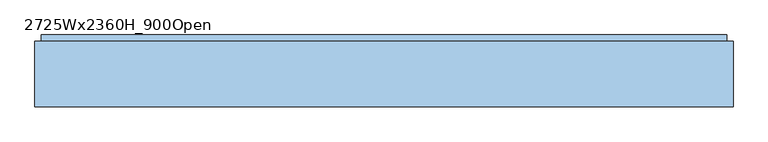
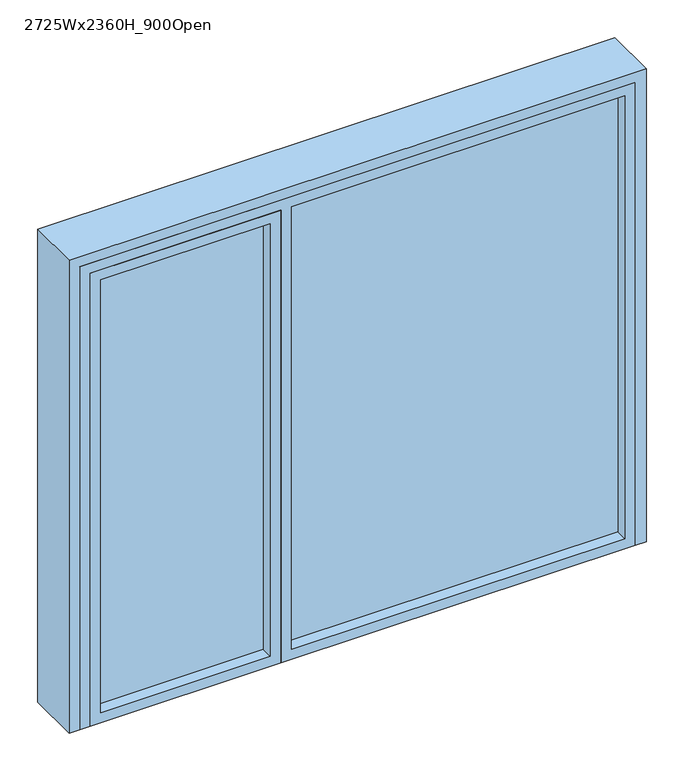
"""IFC4 building model written with IfcOpenShell, lengths in millimetres: window geometry, 2725Wx2360H_900Open."""

from ifc_helpers import new_model, si_unit, frame, origin, origin_with_axes, place, context, project, spatial, polyline, outline, extrude, faceted_brep, source, transform, mapped, element, save


def window_2725wx2360h_900open_1d31c78e(model_context):
    return source(origin(), model_context, "Body", "SolidModel", [
        extrude(outline(polyline([(1262.5, 67.0), (1262.5, 49.0), (-312.5, 49.0), (-312.5, 67.0), (1262.5, 67.0)])), frame((0.0, 0.0, 50.0), z_axis=(0.0, 0.0, 1.0), x_axis=(1.0, 0.0, 0.0)), (0.0, 0.0, 1.0), 2210.0),
        extrude(outline(polyline([(-412.5, 67.0), (-412.5, 49.0), (-1212.5, 49.0), (-1212.5, 67.0), (-412.5, 67.0)])), frame((0.0, 0.0, 50.0), z_axis=(0.0, 0.0, 1.0), x_axis=(1.0, 0.0, 0.0)), (0.0, 0.0, 1.0), 2160.0),
        extrude(outline(polyline([(2260.0, -362.5), (2260.0, -1262.5), (0.0, -1262.5), (0.0, -362.5), (2260.0, -362.5)]), holes=[polyline([(2210.0, -412.5), (50.0, -412.5), (50.0, -1212.5), (2210.0, -1212.5), (2210.0, -412.5)])]), frame((0.0, -8.0, 0.0), z_axis=(0.0, 1.0, 0.0), x_axis=(0.0, 0.0, 1.0)), (0.0, 0.0, 1.0), 100.0),
        extrude(outline(polyline([(1312.5, 92.0), (-1312.5, 92.0), (-1312.5, 272.0), (1312.5, 272.0), (1312.5, 92.0)])), origin_with_axes(), (0.0, 0.0, 1.0), 10.0),
        faceted_brep([(1337.5, 272.0, 2335.0), (1337.5, 247.0, 2335.0), (1337.5, 247.0, 0.0), (1337.5, 272.0, 0.0), (-1362.5, 247.0, 2360.0), (1362.5, 247.0, 2360.0), (1362.5, 247.0, 0.0), (-1337.5, 247.0, 2335.0), (-1337.5, 247.0, 0.0), (-1362.5, 247.0, 0.0), (1362.5, -8.0, 0.0), (1312.5, -8.0, 0.0), (1312.5, 272.0, 0.0), (-1312.5, 272.0, 0.0), (-1312.5, -8.0, 0.0), (-1362.5, -8.0, 0.0), (-1337.5, 272.0, 0.0), (-1337.5, 272.0, 2335.0), (1312.5, 272.0, 2310.0), (-1312.5, 272.0, 2310.0), (1362.5, -8.0, 2360.0), (-1362.5, -8.0, 2360.0), (1312.5, -8.0, 2310.0), (-1312.5, -8.0, 2310.0)], [[[0, 1, 2, 3]], [[4, 5, 6, 2, 1, 7, 8, 9]], [[3, 2, 6, 10, 11, 12]], [[13, 14, 15, 9, 8, 16]], [[17, 0, 3, 12, 18, 19, 13, 16]], [[8, 7, 17, 16]], [[20, 10, 6, 5]], [[4, 9, 15, 21]], [[12, 11, 22, 18]], [[14, 13, 19, 23]], [[20, 21, 15, 14, 23, 22, 11, 10]], [[1, 0, 17, 7]], [[20, 5, 4, 21]], [[19, 18, 22, 23]]]),
        extrude(outline(polyline([(0.0, 1312.5), (2310.0, 1312.5), (2310.0, -1312.5), (0.0, -1312.5), (0.0, -1262.5), (2260.0, -1262.5), (2260.0, -362.5), (0.0, -362.5), (0.0, 1312.5)]), holes=[polyline([(50.0, 1262.5), (50.0, -312.5), (2260.0, -312.5), (2260.0, 1262.5), (50.0, 1262.5)])]), frame((0.0, -8.0, 0.0), z_axis=(0.0, 1.0, 0.0), x_axis=(0.0, 0.0, 1.0)), (0.0, 0.0, 1.0), 100.0),
    ])


if __name__ == "__main__":
    model = new_model("IFC4")
    model_context = context("Model", 3, world=origin())
    ifc_project = project(units=[si_unit("LENGTHUNIT", "METRE", prefix="MILLI")], contexts=[model_context])
    site = spatial("IfcSite", under=ifc_project)
    building = spatial("IfcBuilding", under=site)
    placement = place(None, origin())
    window_2725wx2360h_900open_shape = window_2725wx2360h_900open_1d31c78e(model_context)
    element("IfcWindow", 1, ObjectType="2725Wx2360H_900Open", at=placement, inside=building, context=model_context, shape_type="MappedRepresentation", body=[
        mapped(window_2725wx2360h_900open_shape, transform((0.0, 0.0, 0.0), x_axis=(1.0, 0.0, 0.0), y_axis=(0.0, 1.0, 0.0), z_axis=(0.0, 0.0, 1.0))),
    ])
    save(model, "model.ifc")
